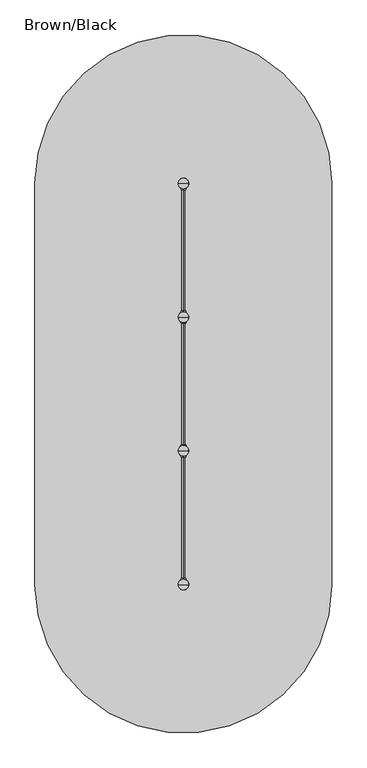
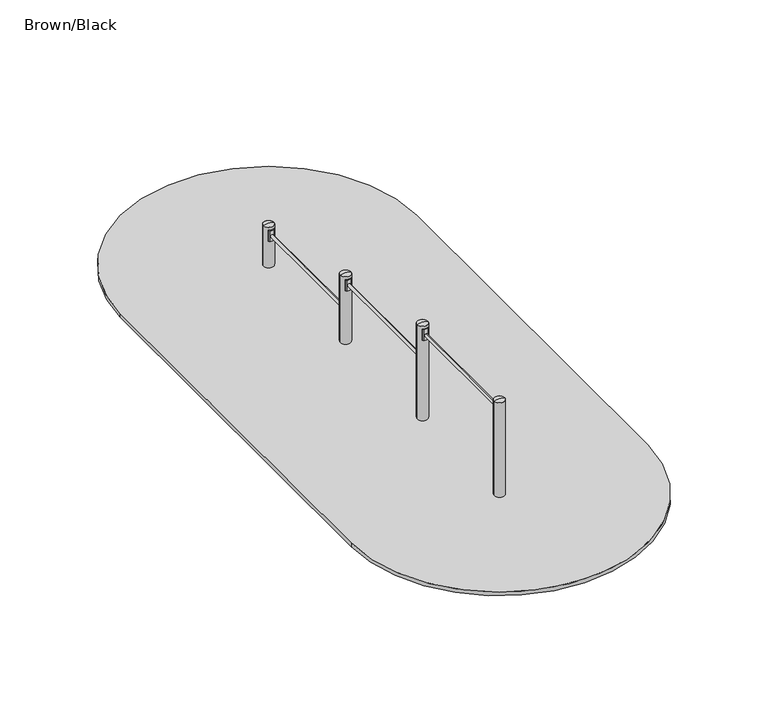
"""IFC4 building model written with IfcOpenShell, lengths in millimetres: furniture geometry, Brown/Black."""

from ifc_helpers import new_model, si_unit, point, frame, frame_2d, origin, place, context, project, spatial, polyline, circle_curve, ellipse_curve, trimmed, segment, composite_curve, outline, extrude, source, transform, mapped, element, save
from ifc_brep_helpers import plane_surface, cylinder_surface, revolved_surface, extruded_surface, advanced_brep


def brown_black_a87696c4(model_context):
    return source(origin(), model_context, "Body", "SolidModel", [
        advanced_brep(
        [(651.0, 4405.0, 450.0), (541.0, 4405.0, 450.0), (596.0, 4405.0, 462.0246565), (596.0, 4405.0, 450.0)],
        [
            (0, 1, circle_curve(frame((596.0, 4405.0, 450.0), z_axis=(0.0, 0.0, 1.0), x_axis=(-1.0, 0.0, 0.0)), 55.0)),
            (1, 2, circle_curve(frame((591.4549856, 4405.0, 351.0177111), z_axis=(0.0, 1.0, 0.0), x_axis=(-1.0, 0.0, 0.0)), 111.0999509)),
            (2, 0, circle_curve(frame((600.5450144, 4405.0, 351.0177111), z_axis=(0.0, 1.0, 0.0), x_axis=(1.0, 0.0, 0.0)), 111.0999509)),
            (1, 0, circle_curve(frame((596.0, 4405.0, 450.0), z_axis=(0.0, 0.0, 1.0), x_axis=(-1.0, 0.0, 0.0)), 55.0)),
            (3, 1),
            (0, 3),
        ],
        [
            revolved_surface(trimmed(ellipse_curve(frame((591.4549856, 4405.0, 351.0177111), z_axis=(0.0, -1.0, 0.0), x_axis=(-1.0, 0.0, 0.0)), 111.0999509, 111.0999509), [point((596.0, 4405.0, 462.0246565))], [point((541.0, 4405.0, 450.0))], True, "CARTESIAN"), (596.0, 4405.0, 69.0), (0.0, 0.0, -1.0)),
            plane_surface(frame((596.0, 4405.0, 450.0), z_axis=(0.0, 0.0, -1.0), x_axis=(-1.0, 0.0, 0.0))),
        ],
        [
            (0, [[1, 2, 3]]),
            (0, [[4, -3, -2]]),
            (1, [[5, -1, 6]]),
            (1, [[-6, -4, -5]]),
        ],
    ),
        advanced_brep(
        [(651.0, 3005.0, 750.0), (541.0, 3005.0, 750.0), (596.0, 3005.0, 762.0246565), (596.0, 3005.0, 750.0)],
        [
            (0, 1, circle_curve(frame((596.0, 3005.0, 750.0), z_axis=(0.0, 0.0, 1.0), x_axis=(-1.0, 0.0, 0.0)), 55.0)),
            (1, 2, circle_curve(frame((591.4549856, 3005.0, 651.0177111), z_axis=(0.0, 1.0, 0.0), x_axis=(-1.0, 0.0, 0.0)), 111.0999509)),
            (2, 0, circle_curve(frame((600.5450144, 3005.0, 651.0177111), z_axis=(0.0, 1.0, 0.0), x_axis=(1.0, 0.0, 0.0)), 111.0999509)),
            (1, 0, circle_curve(frame((596.0, 3005.0, 750.0), z_axis=(0.0, 0.0, 1.0), x_axis=(-1.0, 0.0, 0.0)), 55.0)),
            (3, 1),
            (0, 3),
        ],
        [
            revolved_surface(trimmed(ellipse_curve(frame((591.4549856, 3005.0, 651.0177111), z_axis=(0.0, -1.0, 0.0), x_axis=(-1.0, 0.0, 0.0)), 111.0999509, 111.0999509), [point((596.0, 3005.0, 762.0246565))], [point((541.0, 3005.0, 750.0))], True, "CARTESIAN"), (596.0, 3005.0, 369.0), (0.0, 0.0, -1.0)),
            plane_surface(frame((596.0, 3005.0, 750.0), z_axis=(0.0, 0.0, -1.0), x_axis=(-1.0, 0.0, 0.0))),
        ],
        [
            (0, [[1, 2, 3]]),
            (0, [[4, -3, -2]]),
            (1, [[5, -1, 6]]),
            (1, [[-6, -4, -5]]),
        ],
    ),
        advanced_brep(
        [(651.0, 1605.0, 1050.0), (541.0, 1605.0, 1050.0), (596.0, 1605.0, 1062.0246565), (596.0, 1605.0, 1050.0)],
        [
            (0, 1, circle_curve(frame((596.0, 1605.0, 1050.0), z_axis=(0.0, 0.0, 1.0), x_axis=(-1.0, 0.0, 0.0)), 55.0)),
            (1, 2, circle_curve(frame((591.4549856, 1605.0, 951.0177111), z_axis=(0.0, 1.0, 0.0), x_axis=(-1.0, 0.0, 0.0)), 111.0999509)),
            (2, 0, circle_curve(frame((600.5450144, 1605.0, 951.0177111), z_axis=(0.0, 1.0, 0.0), x_axis=(1.0, 0.0, 0.0)), 111.0999509)),
            (1, 0, circle_curve(frame((596.0, 1605.0, 1050.0), z_axis=(0.0, 0.0, 1.0), x_axis=(-1.0, 0.0, 0.0)), 55.0)),
            (3, 1),
            (0, 3),
        ],
        [
            revolved_surface(trimmed(ellipse_curve(frame((591.4549856, 1605.0, 951.0177111), z_axis=(0.0, -1.0, 0.0), x_axis=(-1.0, 0.0, 0.0)), 111.0999509, 111.0999509), [point((596.0, 1605.0, 1062.0246565))], [point((541.0, 1605.0, 1050.0))], True, "CARTESIAN"), (596.0, 1605.0, 669.0), (0.0, 0.0, -1.0)),
            plane_surface(frame((596.0, 1605.0, 1050.0), z_axis=(0.0, 0.0, -1.0), x_axis=(-1.0, 0.0, 0.0))),
        ],
        [
            (0, [[1, 2, 3]]),
            (0, [[4, -3, -2]]),
            (1, [[5, -1, 6]]),
            (1, [[-6, -4, -5]]),
        ],
    ),
        advanced_brep(
        [(651.0, 205.0, 1050.0), (541.0, 205.0, 1050.0), (596.0, 205.0, 1062.0246565), (596.0, 205.0, 1050.0)],
        [
            (0, 1, circle_curve(frame((596.0, 205.0, 1050.0), z_axis=(0.0, 0.0, 1.0), x_axis=(-1.0, 0.0, 0.0)), 55.0)),
            (1, 2, circle_curve(frame((591.4549856, 205.0, 951.0177111), z_axis=(0.0, 1.0, 0.0), x_axis=(-1.0, 0.0, 0.0)), 111.0999509)),
            (2, 0, circle_curve(frame((600.5450144, 205.0, 951.0177111), z_axis=(0.0, 1.0, 0.0), x_axis=(1.0, 0.0, 0.0)), 111.0999509)),
            (1, 0, circle_curve(frame((596.0, 205.0, 1050.0), z_axis=(0.0, 0.0, 1.0), x_axis=(-1.0, 0.0, 0.0)), 55.0)),
            (3, 1),
            (0, 3),
        ],
        [
            revolved_surface(trimmed(ellipse_curve(frame((591.4549856, 205.0, 951.0177111), z_axis=(0.0, -1.0, 0.0), x_axis=(-1.0, 0.0, 0.0)), 111.0999509, 111.0999509), [point((596.0, 205.0, 1062.0246565))], [point((541.0, 205.0, 1050.0))], True, "CARTESIAN"), (596.0, 205.0, 669.0), (0.0, 0.0, -1.0)),
            plane_surface(frame((596.0, 205.0, 1050.0), z_axis=(0.0, 0.0, -1.0), x_axis=(-1.0, 0.0, 0.0))),
        ],
        [
            (0, [[1, 2, 3]]),
            (0, [[4, -3, -2]]),
            (1, [[5, -1, 6]]),
            (1, [[-6, -4, -5]]),
        ],
    ),
        advanced_brep(
        [(608.5, 277.4599432, -225.0), (596.0, 277.4599432, -225.0), (583.5, 277.4599432, -225.0), (523.5, 217.4599432, -225.0), (523.5, 192.4599432, -225.0), (583.5, 132.4599432, -225.0), (608.5, 132.4599432, -225.0), (668.5, 192.4599432, -225.0), (668.5, 217.4599432, -225.0), (686.0, 355.0, -460.0), (596.0, 355.0, -460.0), (506.0, 355.0, -460.0), (446.0, 295.0, -460.0), (446.0, 115.0, -460.0), (506.0, 55.0, -460.0), (686.0, 55.0, -460.0), (746.0, 115.0, -460.0), (746.0, 295.0, -460.0), (686.0, 355.0, -600.0), (746.0, 295.0, -600.0), (746.0, 115.0, -600.0), (686.0, 55.0, -600.0), (506.0, 55.0, -600.0), (446.0, 115.0, -600.0), (446.0, 295.0, -600.0), (506.0, 355.0, -600.0), (596.0, 355.0, -600.0)],
        [
            (0, 1),
            (1, 2),
            (2, 3, circle_curve(frame((583.5, 217.4599432, -225.0), z_axis=(0.0, 0.0, 1.0), x_axis=(1.0, 0.0, 0.0)), 60.0)),
            (3, 4),
            (4, 5, circle_curve(frame((583.5, 192.4599432, -225.0), z_axis=(0.0, 0.0, 1.0), x_axis=(1.0, 0.0, 0.0)), 60.0)),
            (5, 6),
            (6, 7, circle_curve(frame((608.5, 192.4599432, -225.0), z_axis=(0.0, 0.0, 1.0), x_axis=(1.0, 0.0, 0.0)), 60.0)),
            (7, 8),
            (8, 0, circle_curve(frame((608.5, 217.4599432, -225.0), z_axis=(0.0, 0.0, 1.0), x_axis=(1.0, 0.0, 0.0)), 60.0)),
            (0, 9),
            (9, 10),
            (10, 1),
            (10, 11),
            (11, 2),
            (11, 12, circle_curve(frame((506.0, 295.0, -460.0), z_axis=(0.0, 0.0, 1.0), x_axis=(1.0, 0.0, 0.0)), 60.0)),
            (12, 3),
            (12, 13),
            (13, 4),
            (13, 14, circle_curve(frame((506.0, 115.0, -460.0), z_axis=(0.0, 0.0, 1.0), x_axis=(1.0, 0.0, 0.0)), 60.0)),
            (14, 5),
            (14, 15),
            (15, 6),
            (15, 16, circle_curve(frame((686.0, 115.0, -460.0), z_axis=(0.0, 0.0, 1.0), x_axis=(1.0, 0.0, 0.0)), 60.0)),
            (16, 7),
            (16, 17),
            (17, 8),
            (17, 9, circle_curve(frame((686.0, 295.0, -460.0), z_axis=(0.0, 0.0, 1.0), x_axis=(1.0, 0.0, 0.0)), 60.0)),
            (18, 19, circle_curve(frame((686.0, 295.0, -600.0), z_axis=(0.0, 0.0, -1.0), x_axis=(1.0, 0.0, 0.0)), 60.0)),
            (19, 20),
            (20, 21, circle_curve(frame((686.0, 115.0, -600.0), z_axis=(0.0, 0.0, -1.0), x_axis=(1.0, 0.0, 0.0)), 60.0)),
            (21, 22),
            (22, 23, circle_curve(frame((506.0, 115.0, -600.0), z_axis=(0.0, 0.0, -1.0), x_axis=(1.0, 0.0, 0.0)), 60.0)),
            (23, 24),
            (24, 25, circle_curve(frame((506.0, 295.0, -600.0), z_axis=(0.0, 0.0, -1.0), x_axis=(1.0, 0.0, 0.0)), 60.0)),
            (25, 26),
            (26, 18),
            (26, 10),
            (9, 18),
            (25, 11),
            (23, 13),
            (12, 24),
            (21, 15),
            (14, 22),
            (19, 17),
            (16, 20),
        ],
        [
            plane_surface(frame((596.0, 213.0154988, -225.0), z_axis=(0.0, 0.0, 1.0), x_axis=(-1.0, 0.0, 0.0))),
            plane_surface(frame((602.25, 277.4599432, -225.0), z_axis=(0.0, 0.9496406059136844, 0.3133412191204512), x_axis=(1.0, 0.0, 0.0))),
            plane_surface(frame((589.75, 277.4599432, -225.0), z_axis=(0.0, 0.9496406059136843, 0.3133412191204512), x_axis=(1.0, 0.0, 0.0))),
            extruded_surface(trimmed(circle_curve(frame((583.5, 217.4599432, -225.0), z_axis=(0.0, 0.0, -1.0), x_axis=(1.0, 0.0, 0.0)), 60.0), [point((523.5, 217.4599432, -225.0))], [point((583.5, 277.4599432, -225.0))], True, "CARTESIAN"), (-77.5, 77.5400568, -235.0), 259.3139225119763),
            plane_surface(frame((523.5, 204.9599432, -225.0), z_axis=(-0.9496887635303409, 0.0, 0.31319523052596476), x_axis=(0.0, 1.0, 0.0))),
            extruded_surface(trimmed(circle_curve(frame((583.5, 192.4599432, -225.0), z_axis=(0.0, 0.0, -1.0), x_axis=(1.0, 0.0, 0.0)), 60.0), [point((583.5, 132.4599432, -225.0))], [point((523.5, 192.4599432, -225.0))], True, "CARTESIAN"), (-77.5, -77.4599432, -235.0), 259.2899782107809),
            plane_surface(frame((596.0, 132.4599432, -225.0), z_axis=(0.0, -0.9497369035840961, 0.3130492197250991), x_axis=(-1.0, 0.0, 0.0))),
            extruded_surface(trimmed(circle_curve(frame((608.5, 192.4599432, -225.0), z_axis=(0.0, 0.0, -1.0), x_axis=(1.0, 0.0, 0.0)), 60.0), [point((668.5, 192.4599432, -225.0))], [point((608.5, 132.4599432, -225.0))], True, "CARTESIAN"), (77.5, -77.4599432, -235.0), 259.2899782107809),
            plane_surface(frame((668.5, 204.9599432, -225.0), z_axis=(0.9496887635303416, 0.0, 0.3131952305259627), x_axis=(0.0, -1.0, 0.0))),
            extruded_surface(trimmed(circle_curve(frame((608.5, 217.4599432, -225.0), z_axis=(0.0, 0.0, -1.0), x_axis=(1.0, 0.0, 0.0)), 60.0), [point((608.5, 277.4599432, -225.0))], [point((668.5, 217.4599432, -225.0))], True, "CARTESIAN"), (77.5, 77.5400568, -235.0), 259.3139225119763),
            plane_surface(frame((596.0, 355.0, -600.0), z_axis=(0.0, 0.0, -1.0), x_axis=(1.0, 0.0, 0.0))),
            plane_surface(frame((686.0, 355.0, -460.0), z_axis=(0.0, 1.0, 0.0), x_axis=(0.0, 0.0, -1.0))),
            plane_surface(frame((596.0, 355.0, -460.0), z_axis=(0.0, 1.0, 0.0), x_axis=(0.0, 0.0, -1.0))),
            plane_surface(frame((446.0, 295.0, -460.0), z_axis=(-1.0, 0.0, 0.0), x_axis=(0.0, 0.0, -1.0))),
            plane_surface(frame((506.0, 55.0, -460.0), z_axis=(0.0, -1.0, 0.0), x_axis=(0.0, 0.0, -1.0))),
            plane_surface(frame((746.0, 115.0, -460.0), z_axis=(1.0, 0.0, 0.0), x_axis=(0.0, 0.0, -1.0))),
            cylinder_surface(frame((506.0, 295.0, -600.0), z_axis=(0.0, 0.0, 1.0), x_axis=(1.0, 0.0, 0.0)), 60.0),
            cylinder_surface(frame((506.0, 115.0, -600.0), z_axis=(0.0, 0.0, 1.0), x_axis=(1.0, 0.0, 0.0)), 60.0),
            cylinder_surface(frame((686.0, 115.0, -600.0), z_axis=(0.0, 0.0, 1.0), x_axis=(1.0, 0.0, 0.0)), 60.0),
            cylinder_surface(frame((686.0, 295.0, -600.0), z_axis=(0.0, 0.0, 1.0), x_axis=(1.0, 0.0, 0.0)), 60.0),
        ],
        [
            (0, [[1, 2, 3, 4, 5, 6, 7, 8, 9]]),
            (1, [[-1, 10, 11, 12]]),
            (2, [[-2, -12, 13, 14]]),
            (3, [[-3, -14, 15, 16]]),
            (4, [[-4, -16, 17, 18]]),
            (5, [[-5, -18, 19, 20]]),
            (6, [[-6, -20, 21, 22]]),
            (7, [[-7, -22, 23, 24]]),
            (8, [[-8, -24, 25, 26]]),
            (9, [[-9, -26, 27, -10]]),
            (10, [[28, 29, 30, 31, 32, 33, 34, 35, 36]]),
            (11, [[-36, 37, -11, 38]]),
            (12, [[-35, 39, -13, -37]]),
            (13, [[-33, 40, -17, 41]]),
            (14, [[-31, 42, -21, 43]]),
            (15, [[-29, 44, -25, 45]]),
            (16, [[-34, -41, -15, -39]]),
            (17, [[-32, -43, -19, -40]]),
            (18, [[-30, -45, -23, -42]]),
            (19, [[-28, -38, -27, -44]]),
        ],
    ),
        extrude(outline(composite_curve([segment(trimmed(circle_curve(frame_2d((596.0, 205.0)), 55.0), [point((541.0, 205.0))], [point((651.0, 205.0))], False, "CARTESIAN"), True, "CONTINUOUS"), segment(trimmed(circle_curve(frame_2d((596.0, 205.0)), 55.0), [point((651.0, 205.0))], [point((541.0, 205.0))], False, "CARTESIAN"), True, "CONTINUOUS")], self_intersect=False)), frame((0.0, 0.0, -600.0), z_axis=(0.0, 0.0, 1.0), x_axis=(1.0, 0.0, 0.0)), (0.0, 0.0, 1.0), 500.0),
        advanced_brep(
        [(608.5, 1677.4599432, -225.0), (596.0, 1677.4599432, -225.0), (583.5, 1677.4599432, -225.0), (523.5, 1617.4599432, -225.0), (523.5, 1592.4599432, -225.0), (583.5, 1532.4599432, -225.0), (608.5, 1532.4599432, -225.0), (668.5, 1592.4599432, -225.0), (668.5, 1617.4599432, -225.0), (686.0, 1755.0, -460.0), (596.0, 1755.0, -460.0), (506.0, 1755.0, -460.0), (446.0, 1695.0, -460.0), (446.0, 1515.0, -460.0), (506.0, 1455.0, -460.0), (686.0, 1455.0, -460.0), (746.0, 1515.0, -460.0), (746.0, 1695.0, -460.0), (686.0, 1755.0, -600.0), (746.0, 1695.0, -600.0), (746.0, 1515.0, -600.0), (686.0, 1455.0, -600.0), (506.0, 1455.0, -600.0), (446.0, 1515.0, -600.0), (446.0, 1695.0, -600.0), (506.0, 1755.0, -600.0), (596.0, 1755.0, -600.0)],
        [
            (0, 1),
            (1, 2),
            (2, 3, circle_curve(frame((583.5, 1617.4599432, -225.0), z_axis=(0.0, 0.0, 1.0), x_axis=(1.0, 0.0, 0.0)), 60.0)),
            (3, 4),
            (4, 5, circle_curve(frame((583.5, 1592.4599432, -225.0), z_axis=(0.0, 0.0, 1.0), x_axis=(1.0, 0.0, 0.0)), 60.0)),
            (5, 6),
            (6, 7, circle_curve(frame((608.5, 1592.4599432, -225.0), z_axis=(0.0, 0.0, 1.0), x_axis=(1.0, 0.0, 0.0)), 60.0)),
            (7, 8),
            (8, 0, circle_curve(frame((608.5, 1617.4599432, -225.0), z_axis=(0.0, 0.0, 1.0), x_axis=(1.0, 0.0, 0.0)), 60.0)),
            (0, 9),
            (9, 10),
            (10, 1),
            (10, 11),
            (11, 2),
            (11, 12, circle_curve(frame((506.0, 1695.0, -460.0), z_axis=(0.0, 0.0, 1.0), x_axis=(1.0, 0.0, 0.0)), 60.0)),
            (12, 3),
            (12, 13),
            (13, 4),
            (13, 14, circle_curve(frame((506.0, 1515.0, -460.0), z_axis=(0.0, 0.0, 1.0), x_axis=(1.0, 0.0, 0.0)), 60.0)),
            (14, 5),
            (14, 15),
            (15, 6),
            (15, 16, circle_curve(frame((686.0, 1515.0, -460.0), z_axis=(0.0, 0.0, 1.0), x_axis=(1.0, 0.0, 0.0)), 60.0)),
            (16, 7),
            (16, 17),
            (17, 8),
            (17, 9, circle_curve(frame((686.0, 1695.0, -460.0), z_axis=(0.0, 0.0, 1.0), x_axis=(1.0, 0.0, 0.0)), 60.0)),
            (18, 19, circle_curve(frame((686.0, 1695.0, -600.0), z_axis=(0.0, 0.0, -1.0), x_axis=(1.0, 0.0, 0.0)), 60.0)),
            (19, 20),
            (20, 21, circle_curve(frame((686.0, 1515.0, -600.0), z_axis=(0.0, 0.0, -1.0), x_axis=(1.0, 0.0, 0.0)), 60.0)),
            (21, 22),
            (22, 23, circle_curve(frame((506.0, 1515.0, -600.0), z_axis=(0.0, 0.0, -1.0), x_axis=(1.0, 0.0, 0.0)), 60.0)),
            (23, 24),
            (24, 25, circle_curve(frame((506.0, 1695.0, -600.0), z_axis=(0.0, 0.0, -1.0), x_axis=(1.0, 0.0, 0.0)), 60.0)),
            (25, 26),
            (26, 18),
            (26, 10),
            (9, 18),
            (25, 11),
            (23, 13),
            (12, 24),
            (21, 15),
            (14, 22),
            (19, 17),
            (16, 20),
        ],
        [
            plane_surface(frame((596.0, 1613.0154988, -225.0), z_axis=(0.0, 0.0, 1.0), x_axis=(-1.0, 0.0, 0.0))),
            plane_surface(frame((602.25, 1677.4599432, -225.0), z_axis=(0.0, 0.9496406059136844, 0.3133412191204512), x_axis=(1.0, 0.0, 0.0))),
            plane_surface(frame((589.75, 1677.4599432, -225.0), z_axis=(0.0, 0.9496406059136843, 0.3133412191204512), x_axis=(1.0, 0.0, 0.0))),
            extruded_surface(trimmed(circle_curve(frame((583.5, 1617.4599432, -225.0), z_axis=(0.0, 0.0, -1.0), x_axis=(1.0, 0.0, 0.0)), 60.0), [point((523.5, 1617.4599432, -225.0))], [point((583.5, 1677.4599432, -225.0))], True, "CARTESIAN"), (-77.5, 77.5400568, -235.0), 259.3139225119763),
            plane_surface(frame((523.5, 1604.9599432, -225.0), z_axis=(-0.9496887635303409, 0.0, 0.31319523052596476), x_axis=(0.0, 1.0, 0.0))),
            extruded_surface(trimmed(circle_curve(frame((583.5, 1592.4599432, -225.0), z_axis=(0.0, 0.0, -1.0), x_axis=(1.0, 0.0, 0.0)), 60.0), [point((583.5, 1532.4599432, -225.0))], [point((523.5, 1592.4599432, -225.0))], True, "CARTESIAN"), (-77.5, -77.4599432, -235.0), 259.2899782107809),
            plane_surface(frame((596.0, 1532.4599432, -225.0), z_axis=(0.0, -0.9497369035840961, 0.3130492197250991), x_axis=(-1.0, 0.0, 0.0))),
            extruded_surface(trimmed(circle_curve(frame((608.5, 1592.4599432, -225.0), z_axis=(0.0, 0.0, -1.0), x_axis=(1.0, 0.0, 0.0)), 60.0), [point((668.5, 1592.4599432, -225.0))], [point((608.5, 1532.4599432, -225.0))], True, "CARTESIAN"), (77.5, -77.4599432, -235.0), 259.2899782107809),
            plane_surface(frame((668.5, 1604.9599432, -225.0), z_axis=(0.9496887635303416, 0.0, 0.3131952305259627), x_axis=(0.0, -1.0, 0.0))),
            extruded_surface(trimmed(circle_curve(frame((608.5, 1617.4599432, -225.0), z_axis=(0.0, 0.0, -1.0), x_axis=(1.0, 0.0, 0.0)), 60.0), [point((608.5, 1677.4599432, -225.0))], [point((668.5, 1617.4599432, -225.0))], True, "CARTESIAN"), (77.5, 77.5400568, -235.0), 259.3139225119763),
            plane_surface(frame((596.0, 1755.0, -600.0), z_axis=(0.0, 0.0, -1.0), x_axis=(1.0, 0.0, 0.0))),
            plane_surface(frame((686.0, 1755.0, -460.0), z_axis=(0.0, 1.0, 0.0), x_axis=(0.0, 0.0, -1.0))),
            plane_surface(frame((596.0, 1755.0, -460.0), z_axis=(0.0, 1.0, 0.0), x_axis=(0.0, 0.0, -1.0))),
            plane_surface(frame((446.0, 1695.0, -460.0), z_axis=(-1.0, 0.0, 0.0), x_axis=(0.0, 0.0, -1.0))),
            plane_surface(frame((506.0, 1455.0, -460.0), z_axis=(0.0, -1.0, 0.0), x_axis=(0.0, 0.0, -1.0))),
            plane_surface(frame((746.0, 1515.0, -460.0), z_axis=(1.0, 0.0, 0.0), x_axis=(0.0, 0.0, -1.0))),
            cylinder_surface(frame((506.0, 1695.0, -600.0), z_axis=(0.0, 0.0, 1.0), x_axis=(1.0, 0.0, 0.0)), 60.0),
            cylinder_surface(frame((506.0, 1515.0, -600.0), z_axis=(0.0, 0.0, 1.0), x_axis=(1.0, 0.0, 0.0)), 60.0),
            cylinder_surface(frame((686.0, 1515.0, -600.0), z_axis=(0.0, 0.0, 1.0), x_axis=(1.0, 0.0, 0.0)), 60.0),
            cylinder_surface(frame((686.0, 1695.0, -600.0), z_axis=(0.0, 0.0, 1.0), x_axis=(1.0, 0.0, 0.0)), 60.0),
        ],
        [
            (0, [[1, 2, 3, 4, 5, 6, 7, 8, 9]]),
            (1, [[-1, 10, 11, 12]]),
            (2, [[-2, -12, 13, 14]]),
            (3, [[-3, -14, 15, 16]]),
            (4, [[-4, -16, 17, 18]]),
            (5, [[-5, -18, 19, 20]]),
            (6, [[-6, -20, 21, 22]]),
            (7, [[-7, -22, 23, 24]]),
            (8, [[-8, -24, 25, 26]]),
            (9, [[-9, -26, 27, -10]]),
            (10, [[28, 29, 30, 31, 32, 33, 34, 35, 36]]),
            (11, [[-36, 37, -11, 38]]),
            (12, [[-35, 39, -13, -37]]),
            (13, [[-33, 40, -17, 41]]),
            (14, [[-31, 42, -21, 43]]),
            (15, [[-29, 44, -25, 45]]),
            (16, [[-34, -41, -15, -39]]),
            (17, [[-32, -43, -19, -40]]),
            (18, [[-30, -45, -23, -42]]),
            (19, [[-28, -38, -27, -44]]),
        ],
    ),
        extrude(outline(composite_curve([segment(trimmed(circle_curve(frame_2d((596.0, 1605.0)), 55.0), [point((541.0, 1605.0))], [point((651.0, 1605.0))], False, "CARTESIAN"), True, "CONTINUOUS"), segment(trimmed(circle_curve(frame_2d((596.0, 1605.0)), 55.0), [point((651.0, 1605.0))], [point((541.0, 1605.0))], False, "CARTESIAN"), True, "CONTINUOUS")], self_intersect=False)), frame((0.0, 0.0, -600.0), z_axis=(0.0, 0.0, 1.0), x_axis=(1.0, 0.0, 0.0)), (0.0, 0.0, 1.0), 500.0),
        advanced_brep(
        [(608.5, 3077.4599432, -225.0), (596.0, 3077.4599432, -225.0), (583.5, 3077.4599432, -225.0), (523.5, 3017.4599432, -225.0), (523.5, 2992.4599432, -225.0), (583.5, 2932.4599432, -225.0), (608.5, 2932.4599432, -225.0), (668.5, 2992.4599432, -225.0), (668.5, 3017.4599432, -225.0), (686.0, 3155.0, -460.0), (596.0, 3155.0, -460.0), (506.0, 3155.0, -460.0), (446.0, 3095.0, -460.0), (446.0, 2915.0, -460.0), (506.0, 2855.0, -460.0), (686.0, 2855.0, -460.0), (746.0, 2915.0, -460.0), (746.0, 3095.0, -460.0), (686.0, 3155.0, -600.0), (746.0, 3095.0, -600.0), (746.0, 2915.0, -600.0), (686.0, 2855.0, -600.0), (506.0, 2855.0, -600.0), (446.0, 2915.0, -600.0), (446.0, 3095.0, -600.0), (506.0, 3155.0, -600.0), (596.0, 3155.0, -600.0)],
        [
            (0, 1),
            (1, 2),
            (2, 3, circle_curve(frame((583.5, 3017.4599432, -225.0), z_axis=(0.0, 0.0, 1.0), x_axis=(1.0, 0.0, 0.0)), 60.0)),
            (3, 4),
            (4, 5, circle_curve(frame((583.5, 2992.4599432, -225.0), z_axis=(0.0, 0.0, 1.0), x_axis=(1.0, 0.0, 0.0)), 60.0)),
            (5, 6),
            (6, 7, circle_curve(frame((608.5, 2992.4599432, -225.0), z_axis=(0.0, 0.0, 1.0), x_axis=(1.0, 0.0, 0.0)), 60.0)),
            (7, 8),
            (8, 0, circle_curve(frame((608.5, 3017.4599432, -225.0), z_axis=(0.0, 0.0, 1.0), x_axis=(1.0, 0.0, 0.0)), 60.0)),
            (0, 9),
            (9, 10),
            (10, 1),
            (10, 11),
            (11, 2),
            (11, 12, circle_curve(frame((506.0, 3095.0, -460.0), z_axis=(0.0, 0.0, 1.0), x_axis=(1.0, 0.0, 0.0)), 60.0)),
            (12, 3),
            (12, 13),
            (13, 4),
            (13, 14, circle_curve(frame((506.0, 2915.0, -460.0), z_axis=(0.0, 0.0, 1.0), x_axis=(1.0, 0.0, 0.0)), 60.0)),
            (14, 5),
            (14, 15),
            (15, 6),
            (15, 16, circle_curve(frame((686.0, 2915.0, -460.0), z_axis=(0.0, 0.0, 1.0), x_axis=(1.0, 0.0, 0.0)), 60.0)),
            (16, 7),
            (16, 17),
            (17, 8),
            (17, 9, circle_curve(frame((686.0, 3095.0, -460.0), z_axis=(0.0, 0.0, 1.0), x_axis=(1.0, 0.0, 0.0)), 60.0)),
            (18, 19, circle_curve(frame((686.0, 3095.0, -600.0), z_axis=(0.0, 0.0, -1.0), x_axis=(1.0, 0.0, 0.0)), 60.0)),
            (19, 20),
            (20, 21, circle_curve(frame((686.0, 2915.0, -600.0), z_axis=(0.0, 0.0, -1.0), x_axis=(1.0, 0.0, 0.0)), 60.0)),
            (21, 22),
            (22, 23, circle_curve(frame((506.0, 2915.0, -600.0), z_axis=(0.0, 0.0, -1.0), x_axis=(1.0, 0.0, 0.0)), 60.0)),
            (23, 24),
            (24, 25, circle_curve(frame((506.0, 3095.0, -600.0), z_axis=(0.0, 0.0, -1.0), x_axis=(1.0, 0.0, 0.0)), 60.0)),
            (25, 26),
            (26, 18),
            (26, 10),
            (9, 18),
            (25, 11),
            (23, 13),
            (12, 24),
            (21, 15),
            (14, 22),
            (19, 17),
            (16, 20),
        ],
        [
            plane_surface(frame((596.0, 3013.0154988, -225.0), z_axis=(0.0, 0.0, 1.0), x_axis=(-1.0, 0.0, 0.0))),
            plane_surface(frame((602.25, 3077.4599432, -225.0), z_axis=(0.0, 0.9496406059136844, 0.3133412191204512), x_axis=(1.0, 0.0, 0.0))),
            plane_surface(frame((589.75, 3077.4599432, -225.0), z_axis=(0.0, 0.9496406059136843, 0.3133412191204512), x_axis=(1.0, 0.0, 0.0))),
            extruded_surface(trimmed(circle_curve(frame((583.5, 3017.4599432, -225.0), z_axis=(0.0, 0.0, -1.0), x_axis=(1.0, 0.0, 0.0)), 60.0), [point((523.5, 3017.4599432, -225.0))], [point((583.5, 3077.4599432, -225.0))], True, "CARTESIAN"), (-77.5, 77.5400568, -235.0), 259.3139225119763),
            plane_surface(frame((523.5, 3004.9599432, -225.0), z_axis=(-0.9496887635303409, 0.0, 0.31319523052596476), x_axis=(0.0, 1.0, 0.0))),
            extruded_surface(trimmed(circle_curve(frame((583.5, 2992.4599432, -225.0), z_axis=(0.0, 0.0, -1.0), x_axis=(1.0, 0.0, 0.0)), 60.0), [point((583.5, 2932.4599432, -225.0))], [point((523.5, 2992.4599432, -225.0))], True, "CARTESIAN"), (-77.5, -77.4599432, -235.0), 259.2899782107809),
            plane_surface(frame((596.0, 2932.4599432, -225.0), z_axis=(0.0, -0.9497369035840961, 0.3130492197250991), x_axis=(-1.0, 0.0, 0.0))),
            extruded_surface(trimmed(circle_curve(frame((608.5, 2992.4599432, -225.0), z_axis=(0.0, 0.0, -1.0), x_axis=(1.0, 0.0, 0.0)), 60.0), [point((668.5, 2992.4599432, -225.0))], [point((608.5, 2932.4599432, -225.0))], True, "CARTESIAN"), (77.5, -77.4599432, -235.0), 259.2899782107809),
            plane_surface(frame((668.5, 3004.9599432, -225.0), z_axis=(0.9496887635303416, 0.0, 0.3131952305259627), x_axis=(0.0, -1.0, 0.0))),
            extruded_surface(trimmed(circle_curve(frame((608.5, 3017.4599432, -225.0), z_axis=(0.0, 0.0, -1.0), x_axis=(1.0, 0.0, 0.0)), 60.0), [point((608.5, 3077.4599432, -225.0))], [point((668.5, 3017.4599432, -225.0))], True, "CARTESIAN"), (77.5, 77.5400568, -235.0), 259.3139225119763),
            plane_surface(frame((596.0, 3155.0, -600.0), z_axis=(0.0, 0.0, -1.0), x_axis=(1.0, 0.0, 0.0))),
            plane_surface(frame((686.0, 3155.0, -460.0), z_axis=(0.0, 1.0, 0.0), x_axis=(0.0, 0.0, -1.0))),
            plane_surface(frame((596.0, 3155.0, -460.0), z_axis=(0.0, 1.0, 0.0), x_axis=(0.0, 0.0, -1.0))),
            plane_surface(frame((446.0, 3095.0, -460.0), z_axis=(-1.0, 0.0, 0.0), x_axis=(0.0, 0.0, -1.0))),
            plane_surface(frame((506.0, 2855.0, -460.0), z_axis=(0.0, -1.0, 0.0), x_axis=(0.0, 0.0, -1.0))),
            plane_surface(frame((746.0, 2915.0, -460.0), z_axis=(1.0, 0.0, 0.0), x_axis=(0.0, 0.0, -1.0))),
            cylinder_surface(frame((506.0, 3095.0, -600.0), z_axis=(0.0, 0.0, 1.0), x_axis=(1.0, 0.0, 0.0)), 60.0),
            cylinder_surface(frame((506.0, 2915.0, -600.0), z_axis=(0.0, 0.0, 1.0), x_axis=(1.0, 0.0, 0.0)), 60.0),
            cylinder_surface(frame((686.0, 2915.0, -600.0), z_axis=(0.0, 0.0, 1.0), x_axis=(1.0, 0.0, 0.0)), 60.0),
            cylinder_surface(frame((686.0, 3095.0, -600.0), z_axis=(0.0, 0.0, 1.0), x_axis=(1.0, 0.0, 0.0)), 60.0),
        ],
        [
            (0, [[1, 2, 3, 4, 5, 6, 7, 8, 9]]),
            (1, [[-1, 10, 11, 12]]),
            (2, [[-2, -12, 13, 14]]),
            (3, [[-3, -14, 15, 16]]),
            (4, [[-4, -16, 17, 18]]),
            (5, [[-5, -18, 19, 20]]),
            (6, [[-6, -20, 21, 22]]),
            (7, [[-7, -22, 23, 24]]),
            (8, [[-8, -24, 25, 26]]),
            (9, [[-9, -26, 27, -10]]),
            (10, [[28, 29, 30, 31, 32, 33, 34, 35, 36]]),
            (11, [[-36, 37, -11, 38]]),
            (12, [[-35, 39, -13, -37]]),
            (13, [[-33, 40, -17, 41]]),
            (14, [[-31, 42, -21, 43]]),
            (15, [[-29, 44, -25, 45]]),
            (16, [[-34, -41, -15, -39]]),
            (17, [[-32, -43, -19, -40]]),
            (18, [[-30, -45, -23, -42]]),
            (19, [[-28, -38, -27, -44]]),
        ],
    ),
        extrude(outline(composite_curve([segment(trimmed(circle_curve(frame_2d((596.0, 3005.0)), 55.0), [point((541.0, 3005.0))], [point((651.0, 3005.0))], False, "CARTESIAN"), True, "CONTINUOUS"), segment(trimmed(circle_curve(frame_2d((596.0, 3005.0)), 55.0), [point((651.0, 3005.0))], [point((541.0, 3005.0))], False, "CARTESIAN"), True, "CONTINUOUS")], self_intersect=False)), frame((0.0, 0.0, -600.0), z_axis=(0.0, 0.0, 1.0), x_axis=(1.0, 0.0, 0.0)), (0.0, 0.0, 1.0), 500.0),
        advanced_brep(
        [(608.5, 4477.4599432, -225.0), (596.0, 4477.4599432, -225.0), (583.5, 4477.4599432, -225.0), (523.5, 4417.4599432, -225.0), (523.5, 4392.4599432, -225.0), (583.5, 4332.4599432, -225.0), (608.5, 4332.4599432, -225.0), (668.5, 4392.4599432, -225.0), (668.5, 4417.4599432, -225.0), (686.0, 4555.0, -460.0), (596.0, 4555.0, -460.0), (506.0, 4555.0, -460.0), (446.0, 4495.0, -460.0), (446.0, 4315.0, -460.0), (506.0, 4255.0, -460.0), (686.0, 4255.0, -460.0), (746.0, 4315.0, -460.0), (746.0, 4495.0, -460.0), (686.0, 4555.0, -600.0), (746.0, 4495.0, -600.0), (746.0, 4315.0, -600.0), (686.0, 4255.0, -600.0), (506.0, 4255.0, -600.0), (446.0, 4315.0, -600.0), (446.0, 4495.0, -600.0), (506.0, 4555.0, -600.0), (596.0, 4555.0, -600.0)],
        [
            (0, 1),
            (1, 2),
            (2, 3, circle_curve(frame((583.5, 4417.4599432, -225.0), z_axis=(0.0, 0.0, 1.0), x_axis=(1.0, 0.0, 0.0)), 60.0)),
            (3, 4),
            (4, 5, circle_curve(frame((583.5, 4392.4599432, -225.0), z_axis=(0.0, 0.0, 1.0), x_axis=(1.0, 0.0, 0.0)), 60.0)),
            (5, 6),
            (6, 7, circle_curve(frame((608.5, 4392.4599432, -225.0), z_axis=(0.0, 0.0, 1.0), x_axis=(1.0, 0.0, 0.0)), 60.0)),
            (7, 8),
            (8, 0, circle_curve(frame((608.5, 4417.4599432, -225.0), z_axis=(0.0, 0.0, 1.0), x_axis=(1.0, 0.0, 0.0)), 60.0)),
            (0, 9),
            (9, 10),
            (10, 1),
            (10, 11),
            (11, 2),
            (11, 12, circle_curve(frame((506.0, 4495.0, -460.0), z_axis=(0.0, 0.0, 1.0), x_axis=(1.0, 0.0, 0.0)), 60.0)),
            (12, 3),
            (12, 13),
            (13, 4),
            (13, 14, circle_curve(frame((506.0, 4315.0, -460.0), z_axis=(0.0, 0.0, 1.0), x_axis=(1.0, 0.0, 0.0)), 60.0)),
            (14, 5),
            (14, 15),
            (15, 6),
            (15, 16, circle_curve(frame((686.0, 4315.0, -460.0), z_axis=(0.0, 0.0, 1.0), x_axis=(1.0, 0.0, 0.0)), 60.0)),
            (16, 7),
            (16, 17),
            (17, 8),
            (17, 9, circle_curve(frame((686.0, 4495.0, -460.0), z_axis=(0.0, 0.0, 1.0), x_axis=(1.0, 0.0, 0.0)), 60.0)),
            (18, 19, circle_curve(frame((686.0, 4495.0, -600.0), z_axis=(0.0, 0.0, -1.0), x_axis=(1.0, 0.0, 0.0)), 60.0)),
            (19, 20),
            (20, 21, circle_curve(frame((686.0, 4315.0, -600.0), z_axis=(0.0, 0.0, -1.0), x_axis=(1.0, 0.0, 0.0)), 60.0)),
            (21, 22),
            (22, 23, circle_curve(frame((506.0, 4315.0, -600.0), z_axis=(0.0, 0.0, -1.0), x_axis=(1.0, 0.0, 0.0)), 60.0)),
            (23, 24),
            (24, 25, circle_curve(frame((506.0, 4495.0, -600.0), z_axis=(0.0, 0.0, -1.0), x_axis=(1.0, 0.0, 0.0)), 60.0)),
            (25, 26),
            (26, 18),
            (26, 10),
            (9, 18),
            (25, 11),
            (23, 13),
            (12, 24),
            (21, 15),
            (14, 22),
            (19, 17),
            (16, 20),
        ],
        [
            plane_surface(frame((596.0, 4413.0154988, -225.0), z_axis=(0.0, 0.0, 1.0), x_axis=(-1.0, 0.0, 0.0))),
            plane_surface(frame((602.25, 4477.4599432, -225.0), z_axis=(0.0, 0.9496406059136844, 0.3133412191204512), x_axis=(1.0, 0.0, 0.0))),
            plane_surface(frame((589.75, 4477.4599432, -225.0), z_axis=(0.0, 0.9496406059136843, 0.3133412191204512), x_axis=(1.0, 0.0, 0.0))),
            extruded_surface(trimmed(circle_curve(frame((583.5, 4417.4599432, -225.0), z_axis=(0.0, 0.0, -1.0), x_axis=(1.0, 0.0, 0.0)), 60.0), [point((523.5, 4417.4599432, -225.0))], [point((583.5, 4477.4599432, -225.0))], True, "CARTESIAN"), (-77.5, 77.54005679999955, -235.0), 259.3139225119761),
            plane_surface(frame((523.5, 4404.9599432, -225.0), z_axis=(-0.9496887635303409, 0.0, 0.31319523052596476), x_axis=(0.0, 1.0, 0.0))),
            extruded_surface(trimmed(circle_curve(frame((583.5, 4392.4599432, -225.0), z_axis=(0.0, 0.0, -1.0), x_axis=(1.0, 0.0, 0.0)), 60.0), [point((583.5, 4332.4599432, -225.0))], [point((523.5, 4392.4599432, -225.0))], True, "CARTESIAN"), (-77.5, -77.45994320000045, -235.0), 259.289978210781),
            plane_surface(frame((596.0, 4332.4599432, -225.0), z_axis=(0.0, -0.9497369035840961, 0.3130492197250991), x_axis=(-1.0, 0.0, 0.0))),
            extruded_surface(trimmed(circle_curve(frame((608.5, 4392.4599432, -225.0), z_axis=(0.0, 0.0, -1.0), x_axis=(1.0, 0.0, 0.0)), 60.0), [point((668.5, 4392.4599432, -225.0))], [point((608.5, 4332.4599432, -225.0))], True, "CARTESIAN"), (77.5, -77.45994320000045, -235.0), 259.289978210781),
            plane_surface(frame((668.5, 4404.9599432, -225.0), z_axis=(0.9496887635303416, 0.0, 0.3131952305259627), x_axis=(0.0, -1.0, 0.0))),
            extruded_surface(trimmed(circle_curve(frame((608.5, 4417.4599432, -225.0), z_axis=(0.0, 0.0, -1.0), x_axis=(1.0, 0.0, 0.0)), 60.0), [point((608.5, 4477.4599432, -225.0))], [point((668.5, 4417.4599432, -225.0))], True, "CARTESIAN"), (77.5, 77.54005679999955, -235.0), 259.3139225119761),
            plane_surface(frame((596.0, 4555.0, -600.0), z_axis=(0.0, 0.0, -1.0), x_axis=(1.0, 0.0, 0.0))),
            plane_surface(frame((686.0, 4555.0, -460.0), z_axis=(0.0, 1.0, 0.0), x_axis=(0.0, 0.0, -1.0))),
            plane_surface(frame((596.0, 4555.0, -460.0), z_axis=(0.0, 1.0, 0.0), x_axis=(0.0, 0.0, -1.0))),
            plane_surface(frame((446.0, 4495.0, -460.0), z_axis=(-1.0, 0.0, 0.0), x_axis=(0.0, 0.0, -1.0))),
            plane_surface(frame((506.0, 4255.0, -460.0), z_axis=(0.0, -1.0, 0.0), x_axis=(0.0, 0.0, -1.0))),
            plane_surface(frame((746.0, 4315.0, -460.0), z_axis=(1.0, 0.0, 0.0), x_axis=(0.0, 0.0, -1.0))),
            cylinder_surface(frame((506.0, 4495.0, -600.0), z_axis=(0.0, 0.0, 1.0), x_axis=(1.0, 0.0, 0.0)), 60.0),
            cylinder_surface(frame((506.0, 4315.0, -600.0), z_axis=(0.0, 0.0, 1.0), x_axis=(1.0, 0.0, 0.0)), 60.0),
            cylinder_surface(frame((686.0, 4315.0, -600.0), z_axis=(0.0, 0.0, 1.0), x_axis=(1.0, 0.0, 0.0)), 60.0),
            cylinder_surface(frame((686.0, 4495.0, -600.0), z_axis=(0.0, 0.0, 1.0), x_axis=(1.0, 0.0, 0.0)), 60.0),
        ],
        [
            (0, [[1, 2, 3, 4, 5, 6, 7, 8, 9]]),
            (1, [[-1, 10, 11, 12]]),
            (2, [[-2, -12, 13, 14]]),
            (3, [[-3, -14, 15, 16]]),
            (4, [[-4, -16, 17, 18]]),
            (5, [[-5, -18, 19, 20]]),
            (6, [[-6, -20, 21, 22]]),
            (7, [[-7, -22, 23, 24]]),
            (8, [[-8, -24, 25, 26]]),
            (9, [[-9, -26, 27, -10]]),
            (10, [[28, 29, 30, 31, 32, 33, 34, 35, 36]]),
            (11, [[-36, 37, -11, 38]]),
            (12, [[-35, 39, -13, -37]]),
            (13, [[-33, 40, -17, 41]]),
            (14, [[-31, 42, -21, 43]]),
            (15, [[-29, 44, -25, 45]]),
            (16, [[-34, -41, -15, -39]]),
            (17, [[-32, -43, -19, -40]]),
            (18, [[-30, -45, -23, -42]]),
            (19, [[-28, -38, -27, -44]]),
        ],
    ),
        extrude(outline(composite_curve([segment(trimmed(circle_curve(frame_2d((596.0, 4405.0)), 55.0), [point((541.0, 4405.0))], [point((651.0, 4405.0))], False, "CARTESIAN"), True, "CONTINUOUS"), segment(trimmed(circle_curve(frame_2d((596.0, 4405.0)), 55.0), [point((651.0, 4405.0))], [point((541.0, 4405.0))], False, "CARTESIAN"), True, "CONTINUOUS")], self_intersect=False)), frame((0.0, 0.0, -600.0), z_axis=(0.0, 0.0, 1.0), x_axis=(1.0, 0.0, 0.0)), (0.0, 0.0, 1.0), 500.0),
        extrude(outline(composite_curve([segment(trimmed(circle_curve(frame_2d((626.3699948, 4357.8817451)), 1.0), [point((625.8276734, 4358.7219162))], [point((627.3096874, 4357.5397249))], False, "CARTESIAN"), True, "CONTINUOUS"), segment(polyline([(627.3096874, 4357.5397249), (621.2394832, 4340.861976)]), True, "CONTINUOUS"), segment(trimmed(circle_curve(frame_2d((620.2997906, 4341.2039962)), 1.0), [point((621.2394832, 4340.861976))], [point((620.2997906, 4340.2039962))], False, "CARTESIAN"), True, "CONTINUOUS"), segment(polyline([(620.2997906, 4340.2039962), (571.7002057, 4340.2039962)]), True, "CONTINUOUS"), segment(trimmed(circle_curve(frame_2d((571.7002057, 4341.2039962)), 1.0), [point((571.7002057, 4340.2039962))], [point((570.7605131, 4340.861976))], False, "CARTESIAN"), True, "CONTINUOUS"), segment(polyline([(570.7605131, 4340.861976), (564.6903089, 4357.5397249)]), True, "CONTINUOUS"), segment(trimmed(circle_curve(frame_2d((565.6300015, 4357.8817451)), 1.0), [point((564.6903089, 4357.5397249))], [point((566.1723229, 4358.7219162))], False, "CARTESIAN"), True, "CONTINUOUS"), segment(trimmed(circle_curve(frame_2d((595.9999981, 4404.9313285)), 55.0), [point((566.1723229, 4358.7219162))], [point((625.8276734, 4358.7219162))], True, "CARTESIAN"), True, "CONTINUOUS")], self_intersect=False)), frame((0.0, 0.0, 300.0), z_axis=(0.0, 0.0, 1.0), x_axis=(1.0, 0.0, 0.0)), (0.0, 0.0, 1.0), 120.0),
        extrude(outline(composite_curve([segment(trimmed(circle_curve(frame_2d((565.6300052, 3051.9851055)), 1.0), [point((566.1723266, 3051.1449344))], [point((564.6903126, 3052.3271256))], False, "CARTESIAN"), True, "CONTINUOUS"), segment(polyline([(564.6903126, 3052.3271256), (570.7605168, 3069.0048745)]), True, "CONTINUOUS"), segment(trimmed(circle_curve(frame_2d((571.7002094, 3068.6628544)), 1.0), [point((570.7605168, 3069.0048745))], [point((571.7002094, 3069.6628544))], False, "CARTESIAN"), True, "CONTINUOUS"), segment(polyline([(571.7002094, 3069.6628544), (620.2997943, 3069.6628544)]), True, "CONTINUOUS"), segment(trimmed(circle_curve(frame_2d((620.2997943, 3068.6628544)), 1.0), [point((620.2997943, 3069.6628544))], [point((621.2394869, 3069.0048745))], False, "CARTESIAN"), True, "CONTINUOUS"), segment(polyline([(621.2394869, 3069.0048745), (627.3096911, 3052.3271256)]), True, "CONTINUOUS"), segment(trimmed(circle_curve(frame_2d((626.3699985, 3051.9851055)), 1.0), [point((627.3096911, 3052.3271256))], [point((625.8276771, 3051.1449344))], False, "CARTESIAN"), True, "CONTINUOUS"), segment(trimmed(circle_curve(frame_2d((596.0000019, 3004.935522)), 55.0), [point((625.8276771, 3051.1449344))], [point((566.1723266, 3051.1449344))], True, "CARTESIAN"), True, "CONTINUOUS")], self_intersect=False)), frame((0.0, 0.0, 300.0), z_axis=(0.0, 0.0, 1.0), x_axis=(1.0, 0.0, 0.0)), (0.0, 0.0, 1.0), 120.0),
        extrude(outline(composite_curve([segment(trimmed(circle_curve(frame_2d((626.3699948, 2957.9707176)), 1.0), [point((625.8276734, 2958.8108888))], [point((627.3096874, 2957.6286975))], False, "CARTESIAN"), True, "CONTINUOUS"), segment(polyline([(627.3096874, 2957.6286975), (621.2394832, 2940.9509486)]), True, "CONTINUOUS"), segment(trimmed(circle_curve(frame_2d((620.2997906, 2941.2929688)), 1.0), [point((621.2394832, 2940.9509486))], [point((620.2997906, 2940.2929688))], False, "CARTESIAN"), True, "CONTINUOUS"), segment(polyline([(620.2997906, 2940.2929688), (571.7002057, 2940.2929688)]), True, "CONTINUOUS"), segment(trimmed(circle_curve(frame_2d((571.7002057, 2941.2929688)), 1.0), [point((571.7002057, 2940.2929688))], [point((570.7605131, 2940.9509486))], False, "CARTESIAN"), True, "CONTINUOUS"), segment(polyline([(570.7605131, 2940.9509486), (564.6903089, 2957.6286975)]), True, "CONTINUOUS"), segment(trimmed(circle_curve(frame_2d((565.6300015, 2957.9707176)), 1.0), [point((564.6903089, 2957.6286975))], [point((566.1723229, 2958.8108888))], False, "CARTESIAN"), True, "CONTINUOUS"), segment(trimmed(circle_curve(frame_2d((595.9999981, 3005.0203011)), 55.0), [point((566.1723229, 2958.8108888))], [point((625.8276734, 2958.8108888))], True, "CARTESIAN"), True, "CONTINUOUS")], self_intersect=False)), frame((0.0, 0.0, 600.0), z_axis=(0.0, 0.0, 1.0), x_axis=(1.0, 0.0, 0.0)), (0.0, 0.0, 1.0), 120.0),
        extrude(outline(composite_curve([segment(trimmed(circle_curve(frame_2d((565.6300052, 1652.0740781)), 1.0), [point((566.1723266, 1651.233907))], [point((564.6903126, 1652.4160982))], False, "CARTESIAN"), True, "CONTINUOUS"), segment(polyline([(564.6903126, 1652.4160982), (570.7605168, 1669.0938471)]), True, "CONTINUOUS"), segment(trimmed(circle_curve(frame_2d((571.7002094, 1668.751827)), 1.0), [point((570.7605168, 1669.0938471))], [point((571.7002094, 1669.751827))], False, "CARTESIAN"), True, "CONTINUOUS"), segment(polyline([(571.7002094, 1669.751827), (620.2997943, 1669.751827)]), True, "CONTINUOUS"), segment(trimmed(circle_curve(frame_2d((620.2997943, 1668.751827)), 1.0), [point((620.2997943, 1669.751827))], [point((621.2394869, 1669.0938471))], False, "CARTESIAN"), True, "CONTINUOUS"), segment(polyline([(621.2394869, 1669.0938471), (627.3096911, 1652.4160982)]), True, "CONTINUOUS"), segment(trimmed(circle_curve(frame_2d((626.3699985, 1652.0740781)), 1.0), [point((627.3096911, 1652.4160982))], [point((625.8276771, 1651.233907))], False, "CARTESIAN"), True, "CONTINUOUS"), segment(trimmed(circle_curve(frame_2d((596.0000019, 1605.0244946)), 55.0), [point((625.8276771, 1651.233907))], [point((566.1723266, 1651.233907))], True, "CARTESIAN"), True, "CONTINUOUS")], self_intersect=False)), frame((0.0, 0.0, 600.0), z_axis=(0.0, 0.0, 1.0), x_axis=(1.0, 0.0, 0.0)), (0.0, 0.0, 1.0), 120.0),
        extrude(outline(composite_curve([segment(trimmed(circle_curve(frame_2d((626.3699948, 1557.9707176)), 1.0), [point((625.8276734, 1558.8108888))], [point((627.3096874, 1557.6286975))], False, "CARTESIAN"), True, "CONTINUOUS"), segment(polyline([(627.3096874, 1557.6286975), (621.2394832, 1540.9509486)]), True, "CONTINUOUS"), segment(trimmed(circle_curve(frame_2d((620.2997906, 1541.2929687)), 1.0), [point((621.2394832, 1540.9509486))], [point((620.2997906, 1540.2929687))], False, "CARTESIAN"), True, "CONTINUOUS"), segment(polyline([(620.2997906, 1540.2929687), (571.7002057, 1540.2929687)]), True, "CONTINUOUS"), segment(trimmed(circle_curve(frame_2d((571.7002057, 1541.2929687)), 1.0), [point((571.7002057, 1540.2929687))], [point((570.7605131, 1540.9509486))], False, "CARTESIAN"), True, "CONTINUOUS"), segment(polyline([(570.7605131, 1540.9509486), (564.6903089, 1557.6286975)]), True, "CONTINUOUS"), segment(trimmed(circle_curve(frame_2d((565.6300015, 1557.9707176)), 1.0), [point((564.6903089, 1557.6286975))], [point((566.1723229, 1558.8108888))], False, "CARTESIAN"), True, "CONTINUOUS"), segment(trimmed(circle_curve(frame_2d((595.9999981, 1605.0203011)), 55.0), [point((566.1723229, 1558.8108888))], [point((625.8276734, 1558.8108888))], True, "CARTESIAN"), True, "CONTINUOUS")], self_intersect=False)), frame((0.0, 0.0, 900.0), z_axis=(0.0, 0.0, 1.0), x_axis=(1.0, 0.0, 0.0)), (0.0, 0.0, 1.0), 120.0),
        extrude(outline(composite_curve([segment(trimmed(circle_curve(frame_2d((565.6300052, 252.0740781)), 1.0), [point((566.1723266, 251.233907))], [point((564.6903126, 252.4160982))], False, "CARTESIAN"), True, "CONTINUOUS"), segment(polyline([(564.6903126, 252.4160982), (570.7605168, 269.0938471)]), True, "CONTINUOUS"), segment(trimmed(circle_curve(frame_2d((571.7002094, 268.751827)), 1.0), [point((570.7605168, 269.0938471))], [point((571.7002094, 269.751827))], False, "CARTESIAN"), True, "CONTINUOUS"), segment(polyline([(571.7002094, 269.751827), (620.2997943, 269.751827)]), True, "CONTINUOUS"), segment(trimmed(circle_curve(frame_2d((620.2997943, 268.751827)), 1.0), [point((620.2997943, 269.751827))], [point((621.2394869, 269.0938471))], False, "CARTESIAN"), True, "CONTINUOUS"), segment(polyline([(621.2394869, 269.0938471), (627.3096911, 252.4160982)]), True, "CONTINUOUS"), segment(trimmed(circle_curve(frame_2d((626.3699985, 252.0740781)), 1.0), [point((627.3096911, 252.4160982))], [point((625.8276771, 251.233907))], False, "CARTESIAN"), True, "CONTINUOUS"), segment(trimmed(circle_curve(frame_2d((596.0000019, 205.0244946)), 55.0), [point((625.8276771, 251.233907))], [point((566.1723266, 251.233907))], True, "CARTESIAN"), True, "CONTINUOUS")], self_intersect=False)), frame((0.0, 0.0, 900.0), z_axis=(0.0, 0.0, 1.0), x_axis=(1.0, 0.0, 0.0)), (0.0, 0.0, 1.0), 120.0),
        extrude(outline(composite_curve([segment(trimmed(circle_curve(frame_2d((357.6516154, 595.9998229)), 16.0), [point((373.6516154, 595.9998229))], [point((341.6516154, 595.9998229))], False, "CARTESIAN"), True, "CONTINUOUS"), segment(trimmed(circle_curve(frame_2d((357.6516154, 595.9998229)), 16.0), [point((341.6516154, 595.9998229))], [point((373.6516154, 595.9998229))], False, "CARTESIAN"), True, "CONTINUOUS")], self_intersect=False)), frame((0.0, 3069.7147852, 0.0), z_axis=(0.0, 1.0, 0.0), x_axis=(0.0, 0.0, 1.0)), (0.0, 0.0, 1.0), 1270.489211),
        extrude(outline(composite_curve([segment(trimmed(circle_curve(frame_2d((662.459322, 595.9878213)), 16.0), [point((678.459322, 595.9878213))], [point((646.459322, 595.9878213))], False, "CARTESIAN"), True, "CONTINUOUS"), segment(trimmed(circle_curve(frame_2d((662.459322, 595.9878213)), 16.0), [point((646.459322, 595.9878213))], [point((678.459322, 595.9878213))], False, "CARTESIAN"), True, "CONTINUOUS")], self_intersect=False)), frame((0.0, 1670.0, 0.0), z_axis=(0.0, 1.0, 0.0), x_axis=(0.0, 0.0, 1.0)), (0.0, 0.0, 1.0), 1270.2929688),
        extrude(outline(composite_curve([segment(trimmed(circle_curve(frame_2d((596.0, 4405.0)), 55.0), [point((541.0, 4405.0))], [point((651.0, 4405.0))], False, "CARTESIAN"), True, "CONTINUOUS"), segment(trimmed(circle_curve(frame_2d((596.0, 4405.0)), 55.0), [point((651.0, 4405.0))], [point((541.0, 4405.0))], False, "CARTESIAN"), True, "CONTINUOUS")], self_intersect=False)), frame((0.0, 0.0, -100.0), z_axis=(0.0, 0.0, 1.0), x_axis=(1.0, 0.0, 0.0)), (0.0, 0.0, 1.0), 550.0),
        extrude(outline(composite_curve([segment(trimmed(circle_curve(frame_2d((596.0, 3005.0)), 55.0), [point((541.0, 3005.0))], [point((651.0, 3005.0))], False, "CARTESIAN"), True, "CONTINUOUS"), segment(trimmed(circle_curve(frame_2d((596.0, 3005.0)), 55.0), [point((651.0, 3005.0))], [point((541.0, 3005.0))], False, "CARTESIAN"), True, "CONTINUOUS")], self_intersect=False)), frame((0.0, 0.0, -100.0), z_axis=(0.0, 0.0, 1.0), x_axis=(1.0, 0.0, 0.0)), (0.0, 0.0, 1.0), 850.0),
        extrude(outline(composite_curve([segment(trimmed(circle_curve(frame_2d((954.8804596, 596.0902467)), 16.0), [point((970.8804596, 596.0902467))], [point((938.8804596, 596.0902467))], False, "CARTESIAN"), True, "CONTINUOUS"), segment(trimmed(circle_curve(frame_2d((954.8804596, 596.0902467)), 16.0), [point((938.8804596, 596.0902467))], [point((970.8804596, 596.0902467))], False, "CARTESIAN"), True, "CONTINUOUS")], self_intersect=False)), frame((0.0, 269.751827, 0.0), z_axis=(0.0, 1.0, 0.0), x_axis=(0.0, 0.0, 1.0)), (0.0, 0.0, 1.0), 1270.5411417),
        extrude(outline(composite_curve([segment(trimmed(circle_curve(frame_2d((596.0, 1605.0)), 55.0), [point((541.0, 1605.0))], [point((651.0, 1605.0))], False, "CARTESIAN"), True, "CONTINUOUS"), segment(trimmed(circle_curve(frame_2d((596.0, 1605.0)), 55.0), [point((651.0, 1605.0))], [point((541.0, 1605.0))], False, "CARTESIAN"), True, "CONTINUOUS")], self_intersect=False)), frame((0.0, 0.0, -100.0), z_axis=(0.0, 0.0, 1.0), x_axis=(1.0, 0.0, 0.0)), (0.0, 0.0, 1.0), 1150.0),
        extrude(outline(composite_curve([segment(trimmed(circle_curve(frame_2d((596.0, 205.0)), 55.0), [point((541.0, 205.0))], [point((651.0, 205.0))], False, "CARTESIAN"), True, "CONTINUOUS"), segment(trimmed(circle_curve(frame_2d((596.0, 205.0)), 55.0), [point((651.0, 205.0))], [point((541.0, 205.0))], False, "CARTESIAN"), True, "CONTINUOUS")], self_intersect=False)), frame((0.0, 0.0, -100.0), z_axis=(0.0, 0.0, 1.0), x_axis=(1.0, 0.0, 0.0)), (0.0, 0.0, 1.0), 1150.0),
        extrude(outline(composite_curve([segment(trimmed(circle_curve(frame_2d((596.0, 205.0)), 1555.0), [point((2151.0, 205.0))], [point((-959.0, 205.0))], False, "CARTESIAN"), True, "CONTINUOUS"), segment(polyline([(-959.0, 205.0), (-959.0, 4405.0)]), True, "CONTINUOUS"), segment(trimmed(circle_curve(frame_2d((596.0, 4405.0)), 1555.0), [point((-959.0, 4405.0))], [point((2151.0, 4405.0))], False, "CARTESIAN"), True, "CONTINUOUS"), segment(polyline([(2151.0, 4405.0), (2151.0, 205.0)]), True, "CONTINUOUS")], self_intersect=False)), frame((0.0, 0.0, -40.0), z_axis=(0.0, 0.0, 1.0), x_axis=(1.0, 0.0, 0.0)), (0.0, 0.0, 1.0), 41.0),
    ])


if __name__ == "__main__":
    model = new_model("IFC4")
    model_context = context("Model", 3, world=origin())
    ifc_project = project(units=[si_unit("LENGTHUNIT", "METRE", prefix="MILLI")], contexts=[model_context])
    site = spatial("IfcSite", under=ifc_project)
    building = spatial("IfcBuilding", under=site)
    placement = place(None, origin())
    brown_black_shape = brown_black_a87696c4(model_context)
    element("IfcFurniture", 1, ObjectType="Brown/Black", at=placement, inside=building, context=model_context, shape_type="MappedRepresentation", body=[
        mapped(brown_black_shape, transform((0.0, 0.0, 0.0), x_axis=(1.0, 0.0, 0.0), y_axis=(0.0, 1.0, 0.0), z_axis=(0.0, 0.0, 1.0))),
    ])
    save(model, "model.ifc")
